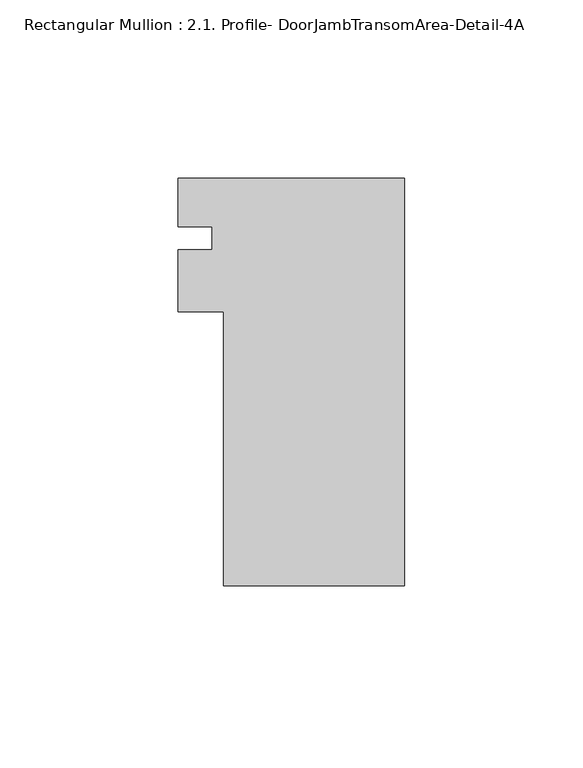
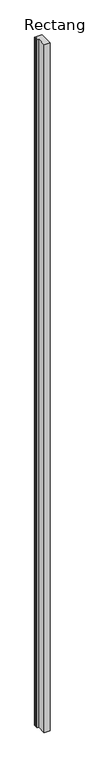
"""IFC4 building model written with IfcOpenShell, lengths in millimetres: member geometry, Rectangular Mullion : 2.1. Profile- DoorJambTransomArea-Detail-4A."""

from ifc_helpers import new_model, si_unit, frame, origin, place, context, project, spatial, polyline, outline, extrude, source, transform, mapped, element, save


def rectangular_mullion_2_1_profile_doorjambtransomarea_detail_be69da8a(model_context):
    return source(origin(), model_context, "Body", "SweptSolid", [
        extrude(outline(polyline([(0.0, -56.2570313), (-50.8, -56.2570312), (-50.8, 20.5779687), (-63.4999959, 20.5779687), (-63.4999959, 38.0404687), (-53.9749959, 38.0404687), (-53.9749959, 44.3904687), (-63.5, 44.3904687), (-63.5, 58.0429687), (0.0, 58.0429687), (0.0, -56.2570313)])), frame((0.0, 0.0, -6096.0), z_axis=(0.0, 0.0, 1.0), x_axis=(1.0, 0.0, 0.0)), (0.0, 0.0, 1.0), 6096.0),
    ])


if __name__ == "__main__":
    model = new_model("IFC4")
    model_context = context("Model", 3, world=origin())
    ifc_project = project(units=[si_unit("LENGTHUNIT", "METRE", prefix="MILLI")], contexts=[model_context])
    site = spatial("IfcSite", under=ifc_project)
    building = spatial("IfcBuilding", under=site)
    placement = place(None, origin())
    rectangular_mullion_2_1_profile_doorjambtransomarea_detail_shape = rectangular_mullion_2_1_profile_doorjambtransomarea_detail_be69da8a(model_context)
    element("IfcMember", 1, ObjectType="Rectangular Mullion : 2.1. Profile- DoorJambTransomArea-Detail-4A", at=placement, inside=building, context=model_context, shape_type="MappedRepresentation", body=[
        mapped(rectangular_mullion_2_1_profile_doorjambtransomarea_detail_shape, transform((0.0, 0.0, 0.0), x_axis=(1.0, 0.0, 0.0), y_axis=(0.0, 1.0, 0.0), z_axis=(0.0, 0.0, 1.0))),
    ])
    save(model, "model.ifc")
